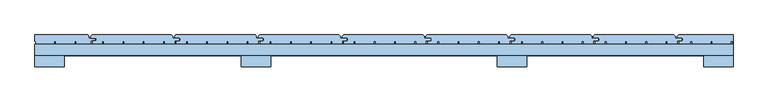
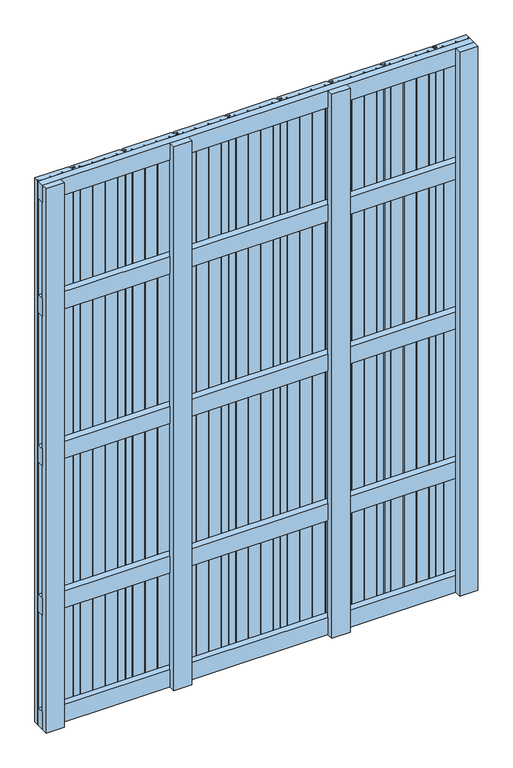
"""IFC4 building model written with IfcOpenShell, lengths in millimetres: window geometry."""

from ifc_helpers import new_model, si_unit, frame, origin, place, context, project, spatial, polyline, outline, extrude, source, transform, mapped, element, save


def window_502cc32b(model_context):
    return source(origin(), model_context, "Body", "SweptSolid", [
        extrude(outline(polyline([(750.0, 148.0), (750.0, 124.0), (-750.0, 124.0), (-750.0, 148.0), (750.0, 148.0)])), frame((0.0, 0.0, 1618.5), z_axis=(0.0, 0.0, 1.0), x_axis=(1.0, 0.0, 0.0)), (0.0, 0.0, 1.0), 63.0),
        extrude(outline(polyline([(750.0, 148.0), (750.0, 124.0), (-750.0, 124.0), (-750.0, 148.0), (750.0, 148.0)])), frame((0.0, 0.0, 1068.5), z_axis=(0.0, 0.0, 1.0), x_axis=(1.0, 0.0, 0.0)), (0.0, 0.0, 1.0), 63.0),
        extrude(outline(polyline([(750.0, 148.0), (750.0, 124.0), (-750.0, 124.0), (-750.0, 148.0), (750.0, 148.0)])), frame((0.0, 0.0, 518.5), z_axis=(0.0, 0.0, 1.0), x_axis=(1.0, 0.0, 0.0)), (0.0, 0.0, 1.0), 63.0),
        extrude(outline(polyline([(750.0, 148.0), (750.0, 124.0), (-750.0, 124.0), (-750.0, 148.0), (750.0, 148.0)])), frame((0.0, 0.0, 2037.0), z_axis=(0.0, 0.0, 1.0), x_axis=(1.0, 0.0, 0.0)), (0.0, 0.0, 1.0), 63.0),
        extrude(outline(polyline([(750.0, 148.0), (750.0, 124.0), (-750.0, 124.0), (-750.0, 148.0), (750.0, 148.0)])), frame((0.0, 0.0, 100.0), z_axis=(0.0, 0.0, 1.0), x_axis=(1.0, 0.0, 0.0)), (0.0, 0.0, 1.0), 63.0),
        extrude(outline(polyline([(-627.0, 168.0), (-457.0, 168.0), (-454.0, 165.0), (-454.0, 161.0), (-440.0, 161.0), (-440.0, 155.0), (-450.0, 155.0), (-450.0, 148.0), (-471.1278597, 148.0), (-471.1278597, 154.0), (-474.6278597, 154.0), (-474.6278597, 148.0), (-514.6889298, 148.0), (-514.6889298, 154.0), (-518.1889298, 154.0), (-518.1889298, 148.0), (-558.25, 148.0), (-558.25, 154.0), (-561.75, 154.0), (-561.75, 148.0), (-601.8110702, 148.0), (-601.8110702, 154.0), (-605.3110702, 154.0), (-605.3110702, 148.0), (-626.0, 148.0), (-626.0, 155.0), (-618.0, 155.0), (-618.0, 161.0), (-630.0, 161.0), (-630.0, 165.0), (-627.0, 168.0)])), frame((0.0, 0.0, 100.0), z_axis=(0.0, 0.0, 1.0), x_axis=(1.0, 0.0, 0.0)), (0.0, 0.0, 1.0), 2000.0),
        extrude(outline(polyline([(-447.0, 168.0), (-277.0, 168.0), (-274.0, 165.0), (-274.0, 161.0), (-260.0, 161.0), (-260.0, 155.0), (-270.0, 155.0), (-270.0, 148.0), (-291.1278597, 148.0), (-291.1278597, 154.0), (-294.6278597, 154.0), (-294.6278597, 148.0), (-334.6889298, 148.0), (-334.6889298, 154.0), (-338.1889298, 154.0), (-338.1889298, 148.0), (-378.25, 148.0), (-378.25, 154.0), (-381.75, 154.0), (-381.75, 148.0), (-421.8110702, 148.0), (-421.8110702, 154.0), (-425.3110702, 154.0), (-425.3110702, 148.0), (-446.0, 148.0), (-446.0, 155.0), (-438.0, 155.0), (-438.0, 161.0), (-450.0, 161.0), (-450.0, 165.0), (-447.0, 168.0)])), frame((0.0, 0.0, 100.0), z_axis=(0.0, 0.0, 1.0), x_axis=(1.0, 0.0, 0.0)), (0.0, 0.0, 1.0), 2000.0),
        extrude(outline(polyline([(-267.0, 168.0), (-97.0, 168.0), (-94.0, 165.0), (-94.0, 161.0), (-80.0, 161.0), (-80.0, 155.0), (-90.0, 155.0), (-90.0, 148.0), (-111.1278597, 148.0), (-111.1278597, 154.0), (-114.6278597, 154.0), (-114.6278597, 148.0), (-154.6889298, 148.0), (-154.6889298, 154.0), (-158.1889298, 154.0), (-158.1889298, 148.0), (-198.25, 148.0), (-198.25, 154.0), (-201.75, 154.0), (-201.75, 148.0), (-241.8110702, 148.0), (-241.8110702, 154.0), (-245.3110702, 154.0), (-245.3110702, 148.0), (-266.0, 148.0), (-266.0, 155.0), (-258.0, 155.0), (-258.0, 161.0), (-270.0, 161.0), (-270.0, 165.0), (-267.0, 168.0)])), frame((0.0, 0.0, 100.0), z_axis=(0.0, 0.0, 1.0), x_axis=(1.0, 0.0, 0.0)), (0.0, 0.0, 1.0), 2000.0),
        extrude(outline(polyline([(-87.0, 168.0), (83.0, 168.0), (86.0, 165.0), (86.0, 161.0), (100.0, 161.0), (100.0, 155.0), (90.0, 155.0), (90.0, 148.0), (68.8721403, 148.0), (68.8721403, 154.0), (65.3721403, 154.0), (65.3721403, 148.0), (25.3110702, 148.0), (25.3110702, 154.0), (21.8110702, 154.0), (21.8110702, 148.0), (-18.25, 148.0), (-18.25, 154.0), (-21.75, 154.0), (-21.75, 148.0), (-61.8110702, 148.0), (-61.8110702, 154.0), (-65.3110702, 154.0), (-65.3110702, 148.0), (-86.0, 148.0), (-86.0, 155.0), (-78.0, 155.0), (-78.0, 161.0), (-90.0, 161.0), (-90.0, 165.0), (-87.0, 168.0)])), frame((0.0, 0.0, 100.0), z_axis=(0.0, 0.0, 1.0), x_axis=(1.0, 0.0, 0.0)), (0.0, 0.0, 1.0), 2000.0),
        extrude(outline(polyline([(93.0, 168.0), (263.0, 168.0), (266.0, 165.0), (266.0, 161.0), (280.0, 161.0), (280.0, 155.0), (270.0, 155.0), (270.0, 148.0), (248.8721403, 148.0), (248.8721403, 154.0), (245.3721403, 154.0), (245.3721403, 148.0), (205.3110702, 148.0), (205.3110702, 154.0), (201.8110702, 154.0), (201.8110702, 148.0), (161.75, 148.0), (161.75, 154.0), (158.25, 154.0), (158.25, 148.0), (118.1889298, 148.0), (118.1889298, 154.0), (114.6889298, 154.0), (114.6889298, 148.0), (94.0, 148.0), (94.0, 155.0), (102.0, 155.0), (102.0, 161.0), (90.0, 161.0), (90.0, 165.0), (93.0, 168.0)])), frame((0.0, 0.0, 100.0), z_axis=(0.0, 0.0, 1.0), x_axis=(1.0, 0.0, 0.0)), (0.0, 0.0, 1.0), 2000.0),
        extrude(outline(polyline([(273.0, 168.0), (443.0, 168.0), (446.0, 165.0), (446.0, 161.0), (460.0, 161.0), (460.0, 155.0), (450.0, 155.0), (450.0, 148.0), (428.8721403, 148.0), (428.8721403, 154.0), (425.3721403, 154.0), (425.3721403, 148.0), (385.3110702, 148.0), (385.3110702, 154.0), (381.8110702, 154.0), (381.8110702, 148.0), (341.75, 148.0), (341.75, 154.0), (338.25, 154.0), (338.25, 148.0), (298.1889298, 148.0), (298.1889298, 154.0), (294.6889298, 154.0), (294.6889298, 148.0), (274.0, 148.0), (274.0, 155.0), (282.0, 155.0), (282.0, 161.0), (270.0, 161.0), (270.0, 165.0), (273.0, 168.0)])), frame((0.0, 0.0, 100.0), z_axis=(0.0, 0.0, 1.0), x_axis=(1.0, 0.0, 0.0)), (0.0, 0.0, 1.0), 2000.0),
        extrude(outline(polyline([(453.0, 168.0), (623.0, 168.0), (626.0, 165.0), (626.0, 161.0), (640.0, 161.0), (640.0, 155.0), (630.0, 155.0), (630.0, 148.0), (608.8721403, 148.0), (608.8721403, 154.0), (605.3721403, 154.0), (605.3721403, 148.0), (565.3110702, 148.0), (565.3110702, 154.0), (561.8110702, 154.0), (561.8110702, 148.0), (521.75, 148.0), (521.75, 154.0), (518.25, 154.0), (518.25, 148.0), (478.1889298, 148.0), (478.1889298, 154.0), (474.6889298, 154.0), (474.6889298, 148.0), (454.0, 148.0), (454.0, 155.0), (462.0, 155.0), (462.0, 161.0), (450.0, 161.0), (450.0, 165.0), (453.0, 168.0)])), frame((0.0, 0.0, 100.0), z_axis=(0.0, 0.0, 1.0), x_axis=(1.0, 0.0, 0.0)), (0.0, 0.0, 1.0), 2000.0),
        extrude(outline(polyline([(-750.0, 168.0), (-637.0, 168.0), (-634.0, 165.0), (-634.0, 161.0), (-620.0, 161.0), (-620.0, 155.0), (-630.0, 155.0), (-630.0, 148.0), (-661.1278597, 148.0), (-661.1278597, 154.0), (-664.6278597, 154.0), (-664.6278597, 148.0), (-704.6889298, 148.0), (-704.6889298, 154.0), (-708.1889298, 154.0), (-708.1889298, 148.0), (-748.25, 148.0), (-748.25, 154.0), (-750.0, 154.0), (-750.0, 168.0)])), frame((0.0, 0.0, 100.0), z_axis=(0.0, 0.0, 1.0), x_axis=(1.0, 0.0, 0.0)), (0.0, 0.0, 1.0), 2000.0),
        extrude(outline(polyline([(633.0, 168.0), (750.0, 168.0), (750.0, 148.0), (748.8721403, 148.0), (748.8721403, 154.0), (745.3721403, 154.0), (745.3721403, 148.0), (705.3110702, 148.0), (705.3110702, 154.0), (701.8110702, 154.0), (701.8110702, 148.0), (661.75, 148.0), (661.75, 154.0), (658.25, 154.0), (658.25, 148.0), (634.0, 148.0), (634.0, 155.0), (642.0, 155.0), (642.0, 161.0), (630.0, 161.0), (630.0, 165.0), (633.0, 168.0)])), frame((0.0, 0.0, 100.0), z_axis=(0.0, 0.0, 1.0), x_axis=(1.0, 0.0, 0.0)), (0.0, 0.0, 1.0), 2000.0),
        extrude(outline(polyline([(-306.5, 124.0), (-243.5, 124.0), (-243.5, 100.0), (-306.5, 100.0), (-306.5, 124.0)])), frame((0.0, 0.0, 100.0), z_axis=(0.0, 0.0, 1.0), x_axis=(1.0, 0.0, 0.0)), (0.0, 0.0, 1.0), 2000.0),
        extrude(outline(polyline([(243.5, 124.0), (306.5, 124.0), (306.5, 100.0), (243.5, 100.0), (243.5, 124.0)])), frame((0.0, 0.0, 100.0), z_axis=(0.0, 0.0, 1.0), x_axis=(1.0, 0.0, 0.0)), (0.0, 0.0, 1.0), 2000.0),
        extrude(outline(polyline([(-750.0, 124.0), (-687.0, 124.0), (-687.0, 100.0), (-750.0, 100.0), (-750.0, 124.0)])), frame((0.0, 0.0, 100.0), z_axis=(0.0, 0.0, 1.0), x_axis=(1.0, 0.0, 0.0)), (0.0, 0.0, 1.0), 2000.0),
        extrude(outline(polyline([(687.0, 124.0), (750.0, 124.0), (750.0, 100.0), (687.0, 100.0), (687.0, 124.0)])), frame((0.0, 0.0, 100.0), z_axis=(0.0, 0.0, 1.0), x_axis=(1.0, 0.0, 0.0)), (0.0, 0.0, 1.0), 2000.0),
    ])


if __name__ == "__main__":
    model = new_model("IFC4")
    model_context = context("Model", 3, world=origin())
    ifc_project = project(units=[si_unit("LENGTHUNIT", "METRE", prefix="MILLI")], contexts=[model_context])
    site = spatial("IfcSite", under=ifc_project)
    building = spatial("IfcBuilding", under=site)
    placement = place(None, origin())
    window_shape = window_502cc32b(model_context)
    element("IfcWindow", 1, at=placement, inside=building, context=model_context, shape_type="MappedRepresentation", body=[
        mapped(window_shape, transform((0.0, 0.0, 0.0), x_axis=(1.0, 0.0, 0.0), y_axis=(0.0, 1.0, 0.0), z_axis=(0.0, 0.0, 1.0))),
    ])
    save(model, "model.ifc")
